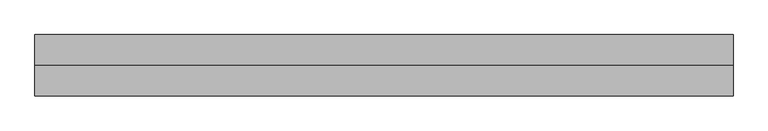
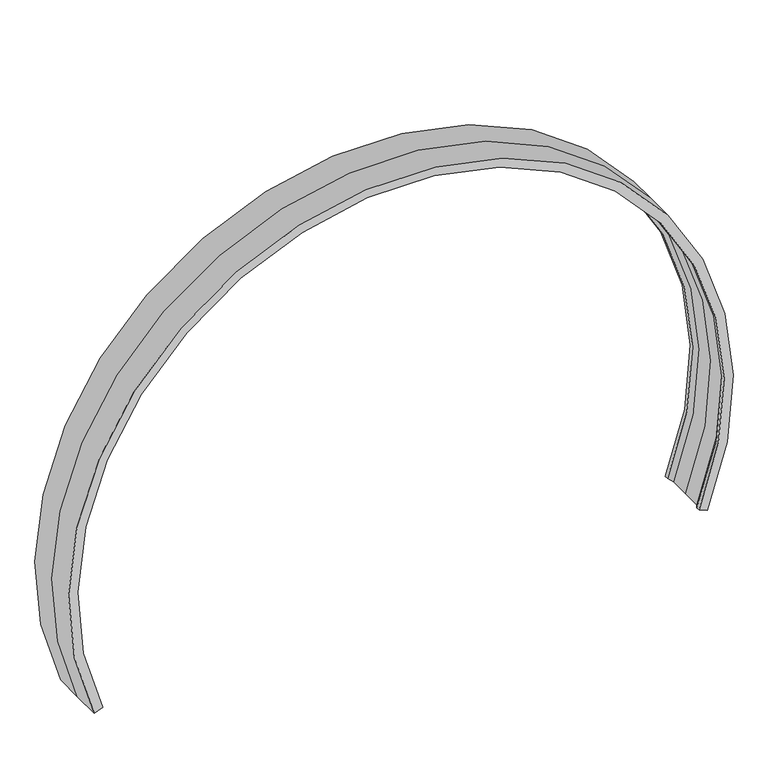
"""IFC4 building model written with IfcOpenShell, lengths in millimetres: beam geometry."""

from ifc_helpers import new_model, si_unit, frame, origin, place, context, project, spatial, polyline, circle_curve, source, transform, mapped, element, save
from ifc_brep_helpers import plane_surface, cylinder_surface, revolved_surface, advanced_brep


def beam_930970fe(model_context):
    return source(origin(), model_context, "Body", "AdvancedBrep", [
        advanced_brep(
        [(-5115.3371435, -500.0, -2140.1754386), (-5258.3267301, -500.0, -2200.0), (-5258.3267301, 0.0, -2200.0), (-5258.3267301, 499.9627944, -2200.0), (-5115.3371435, 499.9627944, -2140.1754386), (-5115.3371435, 437.4627944, -2140.1754386), (-5166.0753839, 342.2, -2161.4035088), (-5166.0753839, 0.0, -2161.4035088), (-5166.0753839, -342.2372056, -2161.4035088), (-5115.3371435, -437.5, -2140.1754386), (5258.3267301, -500.0, -2200.0), (5115.3371435, -500.0, -2140.1754386), (5258.3267301, 0.0, -2200.0), (5258.3267301, 499.9627944, -2200.0), (5115.3371435, 499.9627944, -2140.1754386), (5115.3371435, 437.4627944, -2140.1754386), (5166.0753839, 342.2, -2161.4035088), (5166.0753839, 0.0, -2161.4035088), (5166.0753839, -342.2372056, -2161.4035088), (5115.3371435, -437.5, -2140.1754386)],
        [
            (0, 1),
            (1, 2),
            (2, 3),
            (3, 4),
            (4, 5),
            (5, 6),
            (6, 7),
            (7, 8),
            (8, 9),
            (9, 0),
            (10, 1, circle_curve(frame((0.0, -500.0, 0.0), z_axis=(0.0, -1.0, 0.0), x_axis=(-0.9225134614129783, 0.0, -0.385964912280696)), 5700.0)),
            (0, 11, circle_curve(frame((0.0, -500.0, 0.0), z_axis=(0.0, 1.0, 0.0), x_axis=(-0.9225134614129783, 0.0, -0.385964912280696)), 5545.0)),
            (11, 10),
            (12, 2, circle_curve(frame((0.0, 0.0, 0.0), z_axis=(0.0, -1.0, 0.0), x_axis=(-0.9225134614129783, 0.0, -0.385964912280696)), 5700.0)),
            (10, 12),
            (13, 3, circle_curve(frame((0.0, 499.9627944, 0.0), z_axis=(0.0, -1.0, 0.0), x_axis=(-0.9225134614129783, 0.0, -0.385964912280696)), 5700.0)),
            (12, 13),
            (14, 4, circle_curve(frame((0.0, 499.9627944, 0.0), z_axis=(0.0, -1.0, 0.0), x_axis=(-0.9225134614129783, 0.0, -0.385964912280696)), 5545.0)),
            (13, 14),
            (15, 5, circle_curve(frame((0.0, 437.4627944, 0.0), z_axis=(0.0, -1.0, 0.0), x_axis=(-0.9225134614129783, 0.0, -0.385964912280696)), 5545.0)),
            (14, 15),
            (16, 6, circle_curve(frame((0.0, 342.2, 0.0), z_axis=(0.0, -1.0, 0.0), x_axis=(-0.9225134614129783, 0.0, -0.385964912280696)), 5600.0)),
            (15, 16),
            (17, 7, circle_curve(frame((0.0, 0.0, 0.0), z_axis=(0.0, -1.0, 0.0), x_axis=(-0.9225134614129783, 0.0, -0.385964912280696)), 5600.0)),
            (16, 17),
            (18, 8, circle_curve(frame((0.0, -342.2372056, 0.0), z_axis=(0.0, -1.0, 0.0), x_axis=(-0.9225134614129783, 0.0, -0.385964912280696)), 5600.0)),
            (17, 18),
            (19, 9, circle_curve(frame((0.0, -437.5, 0.0), z_axis=(0.0, -1.0, 0.0), x_axis=(-0.9225134614129783, 0.0, -0.385964912280696)), 5545.0)),
            (18, 19),
            (19, 11),
        ],
        [
            plane_surface(frame((-5258.3267301, 0.0, -2200.0), z_axis=(0.385964912280696, 0.0, -0.9225134614129783), x_axis=(0.0, -1.0, 0.0))),
            plane_surface(frame((0.0, -500.0, 0.0), z_axis=(0.0, -1.0, 0.0), x_axis=(-0.9225134614129783, 0.0, -0.385964912280696))),
            cylinder_surface(frame((0.0, 0.0, 0.0), z_axis=(0.0, 1.0, 0.0), x_axis=(-0.9225134614129783, 0.0, -0.385964912280696)), 5700.0),
            plane_surface(frame((0.0, 499.9627944, 0.0), z_axis=(0.0, 1.0, 0.0), x_axis=(-0.9225134614129783, 0.0, -0.385964912280696))),
            revolved_surface(polyline([(-5115.3371435349645, 499.9627944, -2140.1754385964596), (-5115.3371435349645, 437.4627944, -2140.1754385964596)]), (0.0, 0.0, 0.0), (0.0, 1.0, 0.0)),
            revolved_surface(polyline([(-5115.3371435, 437.4627944, -2140.1754386), (-5166.0753839, 342.2, -2161.4035088)]), (0.0, 0.0, 0.0), (0.0, 1.0, 0.0)),
            revolved_surface(polyline([(-5166.075383912678, 342.2, -2161.4035087718976), (-5166.075383912678, 0.0, -2161.4035087718976)]), (0.0, 0.0, 0.0), (0.0, 1.0, 0.0)),
            revolved_surface(polyline([(-5166.075383912678, 0.0, -2161.4035087718976), (-5166.075383912678, -342.2372056, -2161.4035087718976)]), (0.0, 0.0, 0.0), (0.0, 1.0, 0.0)),
            revolved_surface(polyline([(-5166.0753839, -342.2372056, -2161.4035088), (-5115.3371435, -437.5, -2140.1754386)]), (0.0, 0.0, 0.0), (0.0, 1.0, 0.0)),
            revolved_surface(polyline([(-5115.3371435349645, -437.5, -2140.1754385964596), (-5115.3371435349645, -500.0, -2140.1754385964596)]), (0.0, 0.0, 0.0), (0.0, 1.0, 0.0)),
            plane_surface(frame((5258.3267301, 0.0, -2200.0), z_axis=(-0.3859649122806899, 0.0, -0.9225134614129809), x_axis=(0.0, -1.0, 0.0))),
        ],
        [
            (0, [[1, 2, 3, 4, 5, 6, 7, 8, 9, 10]]),
            (1, [[11, -1, 12, 13]]),
            (2, [[14, -2, -11, 15]]),
            (2, [[16, -3, -14, 17]]),
            (3, [[18, -4, -16, 19]]),
            (4, [[20, -5, -18, 21]]),
            (5, [[22, -6, -20, 23]]),
            (6, [[24, -7, -22, 25]]),
            (7, [[26, -8, -24, 27]]),
            (8, [[28, -9, -26, 29]]),
            (9, [[-12, -10, -28, 30]]),
            (10, [[-13, -30, -29, -27, -25, -23, -21, -19, -17, -15]]),
        ],
    ),
    ])


if __name__ == "__main__":
    model = new_model("IFC4")
    model_context = context("Model", 3, world=origin())
    ifc_project = project(units=[si_unit("LENGTHUNIT", "METRE", prefix="MILLI")], contexts=[model_context])
    site = spatial("IfcSite", under=ifc_project)
    building = spatial("IfcBuilding", under=site)
    placement = place(None, origin())
    beam_shape = beam_930970fe(model_context)
    element("IfcBeam", 1, at=placement, inside=building, context=model_context, shape_type="MappedRepresentation", body=[
        mapped(beam_shape, transform((0.0, 0.0, 0.0), x_axis=(1.0, 0.0, 0.0), y_axis=(0.0, 1.0, 0.0), z_axis=(0.0, 0.0, 1.0))),
    ])
    save(model, "model.ifc")
